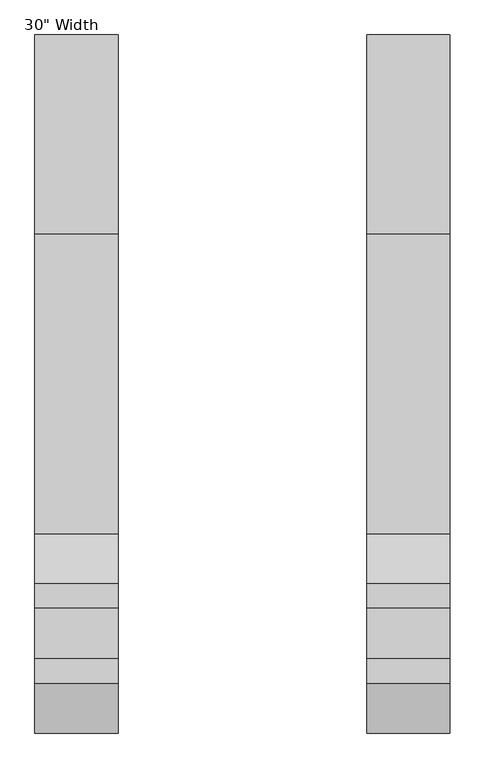
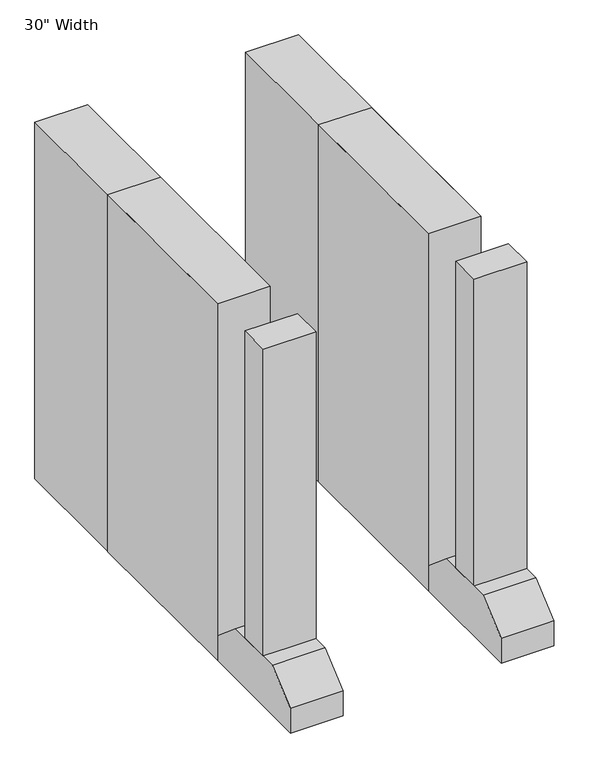
"""IFC4 building model written with IfcOpenShell, lengths in millimetres: proxy geometry."""

from ifc_helpers import new_model, si_unit, frame, origin, origin_with_axes, place, context, project, spatial, polyline, outline, extrude, source, transform, mapped, element, save


def proxy_28e98ed5(model_context):
    return source(origin(), model_context, "Body", "SweptSolid", [
        extrude(outline(polyline([(381.0, 1219.2), (635.0, 1219.2), (635.0, 304.8), (381.0, 304.8), (381.0, 1219.2)])), origin_with_axes(), (0.0, 0.0, 1.0), 1816.1),
        extrude(outline(polyline([(-381.0, 1219.2), (-381.0, 304.8), (-635.0, 304.8), (-635.0, 1219.2), (-381.0, 1219.2)])), origin_with_axes(), (0.0, 0.0, 1.0), 1816.1),
        extrude(outline(polyline([(381.0, 1828.8), (635.0, 1828.8), (635.0, 304.8), (381.0, 304.8), (381.0, 1828.8)])), origin_with_axes(), (0.0, 0.0, 1.0), 1816.1),
        extrude(outline(polyline([(-381.0, 1828.8), (-381.0, 304.8), (-635.0, 304.8), (-635.0, 1828.8), (-381.0, 1828.8)])), origin_with_axes(), (0.0, 0.0, 1.0), 1816.1),
        extrude(outline(polyline([(-381.0, 76.2), (-381.0, -76.2), (-635.0, -76.2), (-635.0, 76.2), (-381.0, 76.2)])), frame((0.0, 0.0, 254.0), z_axis=(0.0, 0.0, 1.0), x_axis=(1.0, 0.0, 0.0)), (0.0, 0.0, 1.0), 1562.1),
        extrude(outline(polyline([(-153.4472937, 254.0), (153.4472937, 254.0), (304.8, 127.0), (304.8, 0.0), (-304.8, 0.0), (-304.8, 127.0), (-153.4472937, 254.0)])), frame((-635.0, 0.0, 0.0), z_axis=(1.0, 0.0, 0.0), x_axis=(0.0, 1.0, 0.0)), (0.0, 0.0, 1.0), 254.0),
        extrude(outline(polyline([(-153.4472937, 254.0), (153.4472937, 254.0), (304.8, 127.0), (304.8, 0.0), (-304.8, 0.0), (-304.8, 127.0), (-153.4472937, 254.0)])), frame((381.0, 0.0, 0.0), z_axis=(1.0, 0.0, 0.0), x_axis=(0.0, 1.0, 0.0)), (0.0, 0.0, 1.0), 254.0),
        extrude(outline(polyline([(381.0, 76.2), (635.0, 76.2), (635.0, -76.2), (381.0, -76.2), (381.0, 76.2)])), frame((0.0, 0.0, 254.0), z_axis=(0.0, 0.0, 1.0), x_axis=(1.0, 0.0, 0.0)), (0.0, 0.0, 1.0), 1562.1),
    ])


if __name__ == "__main__":
    model = new_model("IFC4")
    model_context = context("Model", 3, world=origin())
    ifc_project = project(units=[si_unit("LENGTHUNIT", "METRE", prefix="MILLI")], contexts=[model_context])
    site = spatial("IfcSite", under=ifc_project)
    building = spatial("IfcBuilding", under=site)
    placement = place(None, origin())
    proxy_shape = proxy_28e98ed5(model_context)
    element("IfcBuildingElementProxy", 1, Name="30\" Width", ObjectType="30\" Width", at=placement, inside=building, context=model_context, shape_type="MappedRepresentation", body=[
        mapped(proxy_shape, transform((0.0, 0.0, 0.0), x_axis=(1.0, 0.0, 0.0), y_axis=(0.0, 1.0, 0.0), z_axis=(0.0, 0.0, 1.0))),
    ])
    save(model, "model.ifc")
